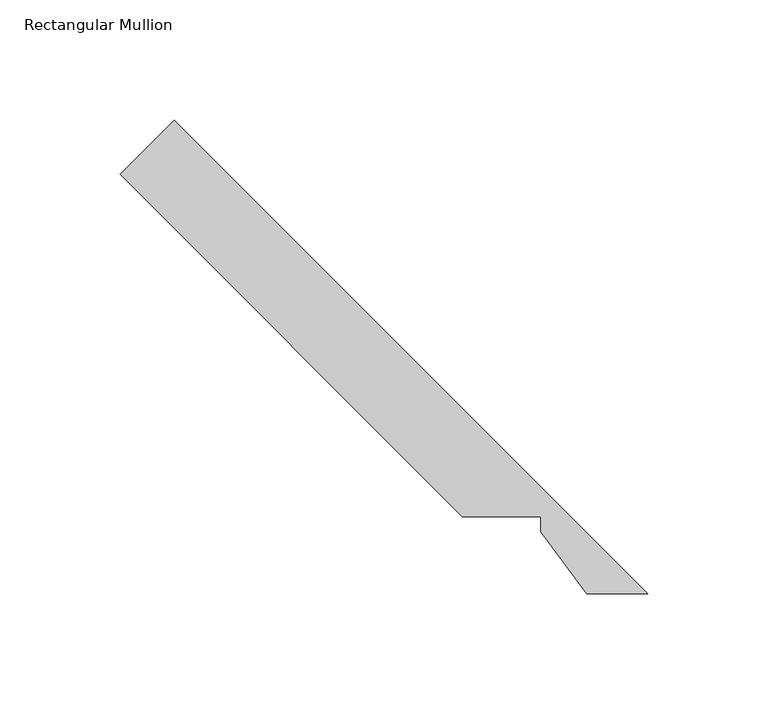
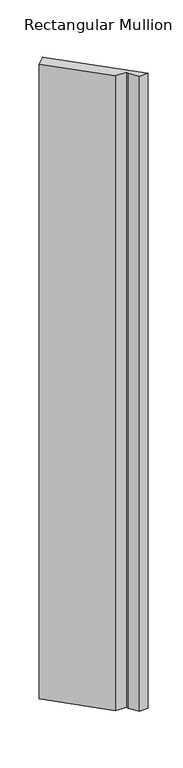
"""IFC4 building model written with IfcOpenShell, lengths in millimetres: member geometry, Rectangular Mullion."""

from ifc_helpers import new_model, si_unit, frame, origin, place, context, project, spatial, polyline, outline, extrude, source, transform, mapped, element, save


def rectangular_mullion_1e7b05a4(model_context):
    return source(origin(), model_context, "Body", "SweptSolid", [
        extrude(outline(polyline([(-237.7497211, 192.8484405), (-215.2990808, 215.2990808), (-18.8048309, 18.8048309), (-44.0799324, 18.8048309), (-63.2548309, 44.4332829), (-63.2548309, 50.7832829), (-95.6897377, 50.7832829), (-237.7497211, 192.8484405)])), frame((0.0, 0.0, -1965.3373744), z_axis=(0.0, 0.0, 1.0), x_axis=(1.0, 0.0, 0.0)), (0.0, 0.0, 1.0), 1965.3373744),
    ])


if __name__ == "__main__":
    model = new_model("IFC4")
    model_context = context("Model", 3, world=origin())
    ifc_project = project(units=[si_unit("LENGTHUNIT", "METRE", prefix="MILLI")], contexts=[model_context])
    site = spatial("IfcSite", under=ifc_project)
    building = spatial("IfcBuilding", under=site)
    placement = place(None, origin())
    rectangular_mullion_shape = rectangular_mullion_1e7b05a4(model_context)
    element("IfcMember", 1, ObjectType="Rectangular Mullion", at=placement, inside=building, context=model_context, shape_type="MappedRepresentation", body=[
        mapped(rectangular_mullion_shape, transform((0.0, 0.0, 0.0), x_axis=(1.0, 0.0, 0.0), y_axis=(0.0, 1.0, 0.0), z_axis=(0.0, 0.0, 1.0))),
    ])
    save(model, "model.ifc")
